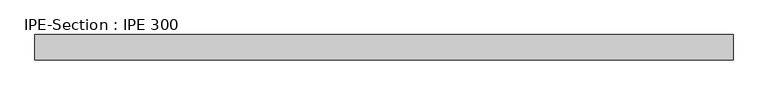
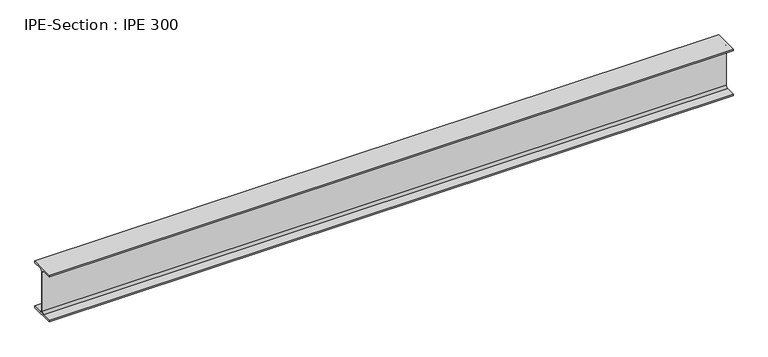
"""IFC4 building model written with IfcOpenShell, lengths in millimetres: beam geometry, IPE-Section : IPE 300."""

from ifc_helpers import new_model, si_unit, point, frame, frame_2d, origin, place, context, project, spatial, polyline, circle_curve, trimmed, segment, composite_curve, outline, extrude, source, transform, mapped, element, save


def ipe_section_ipe_300_104d21ee(model_context):
    return source(origin(), model_context, "Body", "SweptSolid", [
        extrude(outline(composite_curve([segment(polyline([(-75.0, -139.3), (-18.55, -139.3)]), True, "CONTINUOUS"), segment(trimmed(circle_curve(frame_2d((-18.55, -124.3)), 15.0), [point((-18.55, -139.3))], [point((-3.55, -124.3))], True, "CARTESIAN"), True, "CONTINUOUS"), segment(polyline([(-3.55, -124.3), (-3.55, 124.3)]), True, "CONTINUOUS"), segment(trimmed(circle_curve(frame_2d((-18.55, 124.3)), 15.0), [point((-3.55, 124.3))], [point((-18.55, 139.3))], True, "CARTESIAN"), True, "CONTINUOUS"), segment(polyline([(-18.55, 139.3), (-75.0, 139.3), (-75.0, 150.0), (75.0, 150.0), (75.0, 139.3), (18.55, 139.3)]), True, "CONTINUOUS"), segment(trimmed(circle_curve(frame_2d((18.55, 124.3)), 15.0), [point((18.55, 139.3))], [point((3.55, 124.3))], True, "CARTESIAN"), True, "CONTINUOUS"), segment(polyline([(3.55, 124.3), (3.55, -124.3)]), True, "CONTINUOUS"), segment(trimmed(circle_curve(frame_2d((18.55, -124.3)), 15.0), [point((3.55, -124.3))], [point((18.55, -139.3))], True, "CARTESIAN"), True, "CONTINUOUS"), segment(polyline([(18.55, -139.3), (75.0, -139.3), (75.0, -150.0), (-75.0, -150.0), (-75.0, -139.3)]), True, "CONTINUOUS")], self_intersect=False)), frame((-2075.2166661, 0.0, 0.0), z_axis=(1.0, 0.0, 0.0), x_axis=(0.0, 1.0, 0.0)), (0.0, 0.0, 1.0), 4150.4333321),
    ])


if __name__ == "__main__":
    model = new_model("IFC4")
    model_context = context("Model", 3, world=origin())
    ifc_project = project(units=[si_unit("LENGTHUNIT", "METRE", prefix="MILLI")], contexts=[model_context])
    site = spatial("IfcSite", under=ifc_project)
    building = spatial("IfcBuilding", under=site)
    placement = place(None, origin())
    ipe_section_ipe_300_shape = ipe_section_ipe_300_104d21ee(model_context)
    element("IfcBeam", 1, ObjectType="IPE-Section : IPE 300", at=placement, inside=building, context=model_context, shape_type="MappedRepresentation", body=[
        mapped(ipe_section_ipe_300_shape, transform((0.0, 0.0, 0.0), x_axis=(1.0, 0.0, 0.0), y_axis=(0.0, 1.0, 0.0), z_axis=(0.0, 0.0, 1.0))),
    ])
    save(model, "model.ifc")
